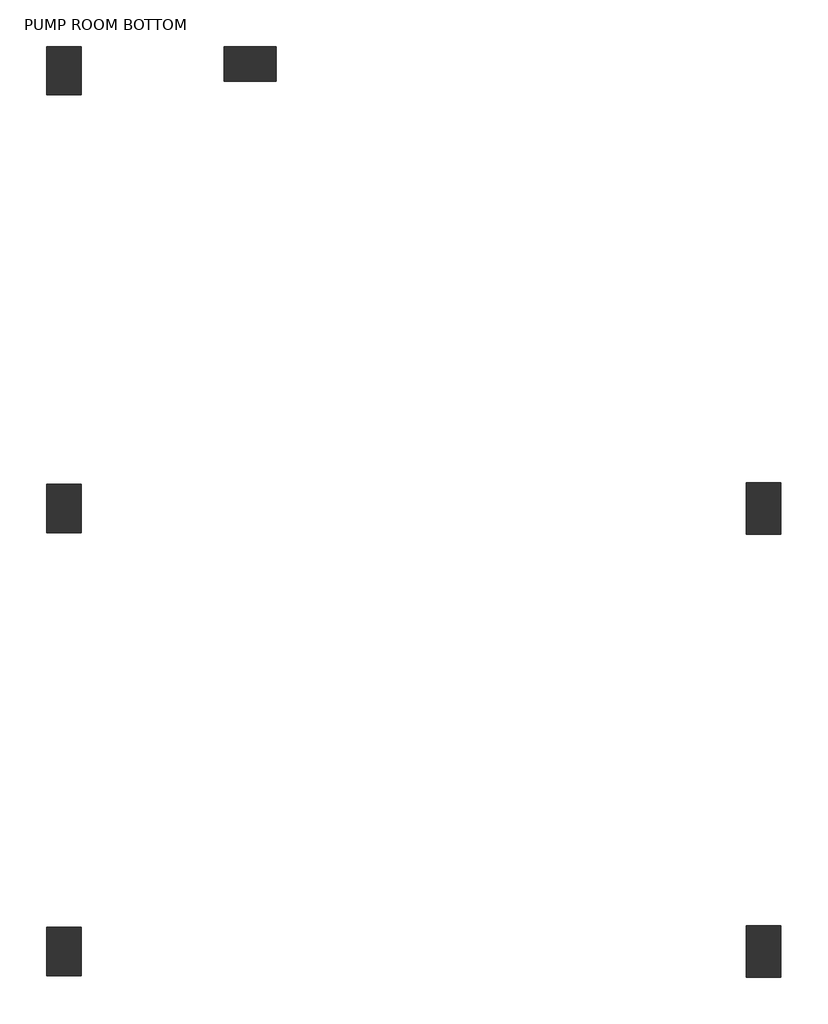
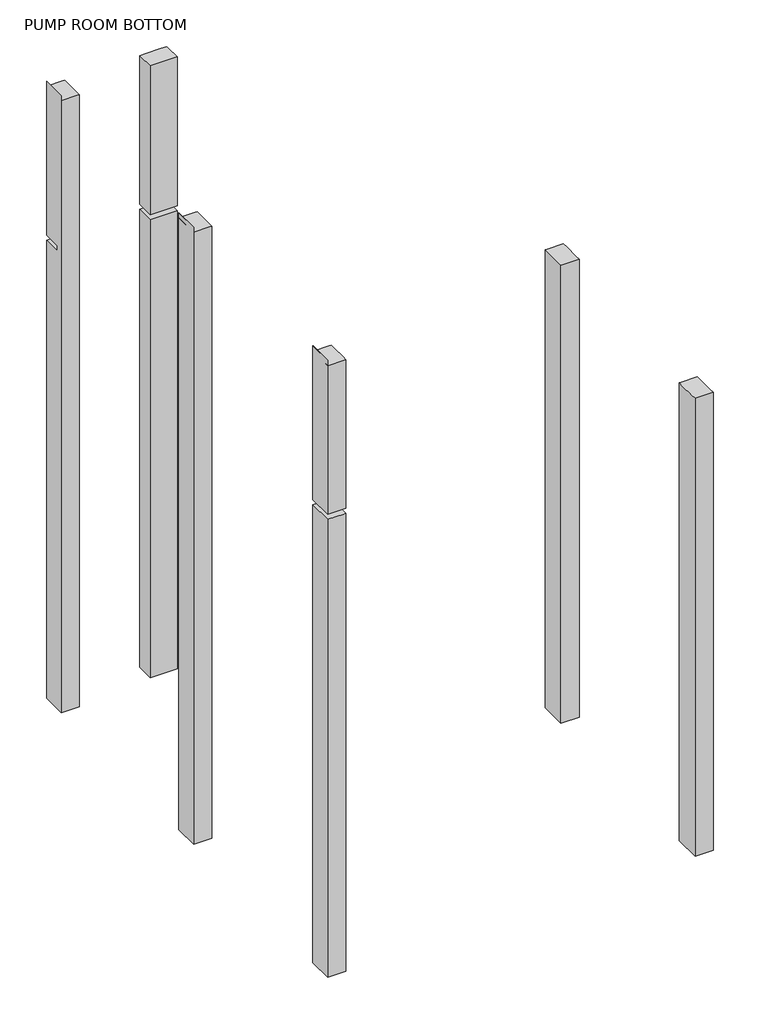
# One storey: 6 columns.
"""IFC4 building model written with IfcOpenShell, lengths in millimetres."""

from ifc_helpers import new_model, si_unit, origin, place, context, project, spatial, faceted_brep, element, save

model = new_model("IFC4")

# Units and contexts
model_context = context("Model", 3, world=origin())
ifc_project = project(units=[si_unit("LENGTHUNIT", "METRE", prefix="MILLI")], contexts=[model_context])

# Site, building, storey
site = spatial("IfcSite", under=ifc_project)
building = spatial("IfcBuilding", under=site)
storey = spatial("IfcBuildingStorey", under=building, Name="PUMP ROOM BOTTOM", Elevation=-11317.1699131)

# Columns
placement = place(None, origin())
element("IfcColumn", 1, ObjectType="SCL_Rectangular : 700x500", at=placement, inside=storey, context=model_context, shape_type="Brep", body=[
    faceted_brep([(50480.0, 17480.0, -11317.1699131), (50480.0, 16780.0, -11317.1699131), (49980.0, 16780.0, -11317.1699131), (49980.0, 17480.0, -11317.1699131), (50480.0, 16780.0, 2072.8300869), (50480.0, 17480.0, 2072.8300869), (50430.0, 17480.0, 2072.8300869), (49980.0, 17480.0, 2072.8300869), (49980.0, 16780.0, 2072.8300869), (50430.0, 16780.0, 2072.8300869), (49980.0, 16780.0, 1622.8300869), (49980.0, 17480.0, 1622.8300869)], [[[0, 1, 2, 3]], [[4, 5, 6, 7, 8, 9]], [[1, 0, 5, 4]], [[2, 1, 4, 9, 8, 10]], [[3, 2, 10, 8, 7, 11]], [[0, 3, 11, 7, 6, 5]]]),
    faceted_brep([(50480.0, 16780.0, 2222.8300869), (50480.0, 17480.0, 2222.8300869), (50480.0, 17480.0, 6572.8300869), (50480.0, 17355.0, 6572.8300869), (50480.0, 16905.0, 6572.8300869), (50480.0, 16780.0, 6572.8300869), (49980.0, 16780.0, 2222.8300869), (50431.1006505, 16780.0, 6572.8300869), (49981.1006505, 16780.0, 6572.8300869), (49981.1006505, 16780.0, 6722.8300869), (49980.0, 16780.0, 6722.8300869), (49980.0, 17480.0, 6722.8300869), (49980.0, 17480.0, 2222.8300869), (49981.1006505, 17480.0, 6722.8300869), (49981.1006505, 17480.0, 6572.8300869), (50431.1006505, 17480.0, 6572.8300869)], [[[0, 1, 2, 3, 4, 5]], [[6, 0, 5, 7, 8, 9, 10]], [[10, 11, 12, 6]], [[1, 12, 11, 13, 14, 15, 2]], [[11, 10, 9, 13]], [[1, 0, 6, 12]], [[14, 8, 7, 5, 4, 3, 2, 15]], [[8, 14, 13, 9]]]),
])
element("IfcColumn", 2, ObjectType="SCL_Rectangular : 700x500", at=placement, inside=storey, context=model_context, shape_type="Brep", body=[
    faceted_brep([(50480.0, 23900.0, -11317.1699131), (50480.0, 23200.0, -11317.1699131), (49980.0, 23200.0, -11317.1699131), (49980.0, 23900.0, -11317.1699131), (50480.0, 23900.0, 6572.8300869), (50480.0, 23775.0, 6572.8300869), (50480.0, 23325.0, 6572.8300869), (50480.0, 23200.0, 6572.8300869), (50431.1006505, 23200.0, 6572.8300869), (49981.1006505, 23200.0, 6572.8300869), (49981.1006505, 23200.0, 6722.8300869), (49980.0, 23200.0, 6722.8300869), (49980.0, 23200.0, 2222.8300869), (49980.0, 23200.0, 1622.8300869), (49980.0, 23900.0, 6722.8300869), (49980.0, 23900.0, 2222.8300869), (49980.0, 23900.0, 1622.8300869), (49981.1006505, 23900.0, 6722.8300869), (49981.1006505, 23900.0, 6572.8300869), (50431.1006505, 23900.0, 6572.8300869)], [[[0, 1, 2, 3]], [[1, 0, 4, 5, 6, 7]], [[2, 1, 7, 8, 9, 10, 11, 12, 13]], [[3, 2, 13, 12, 11, 14, 15, 16]], [[0, 3, 16, 15, 14, 17, 18, 19, 4]], [[14, 11, 10, 17]], [[18, 9, 8, 7, 6, 5, 4, 19]], [[9, 18, 17, 10]]]),
])
element("IfcColumn", 3, ObjectType="SCL_Rectangular : 700x500", at=placement, inside=storey, context=model_context, shape_type="Brep", body=[
    faceted_brep([(50480.0, 30241.2049246, -11317.1699131), (50480.0, 29541.2049246, -11317.1699131), (49980.0, 29541.2049246, -11317.1699131), (49980.0, 30241.2049246, -11317.1699131), (50480.0, 30241.2049246, 2072.8300869), (50480.0, 29734.99134, 2072.8300869), (50480.0, 29734.99134, 2222.8300869), (50480.0, 30241.2049246, 2222.8300869), (50480.0, 30241.2049246, 6572.8300869), (50480.0, 30190.0, 6572.8300869), (50480.0, 29740.0, 6572.8300869), (50480.0, 29541.2049246, 6572.8300869), (50431.1006505, 29541.2049246, 6572.8300869), (49981.1006505, 29541.2049246, 6572.8300869), (49981.1006505, 29541.2049246, 6722.8300869), (49980.0, 29541.2049246, 6722.8300869), (49980.0, 29541.2049246, 2222.8300869), (49980.0, 29541.2049246, 1622.8300869), (49980.0, 30241.2049246, 6722.8300869), (49980.0, 30241.2049246, 2222.8300869), (49980.0, 29734.99134, 2222.8300869), (49980.0, 29734.99134, 2072.8300869), (49980.0, 30241.2049246, 2072.8300869), (49980.0, 30241.2049246, 1622.8300869), (49981.1006505, 30241.2049246, 6722.8300869), (49981.1006505, 30241.2049246, 6572.8300869), (50431.1006505, 30241.2049246, 6572.8300869), (49981.1006505, 29734.99134, 6722.8300869), (50430.0, 30241.2049246, 2072.8300869), (49981.1006505, 29734.99134, 6572.8300869)], [[[0, 1, 2, 3]], [[1, 0, 4, 5, 6, 7, 8, 9, 10, 11]], [[2, 1, 11, 12, 13, 14, 15, 16, 17]], [[3, 2, 17, 16, 15, 18, 19, 20, 21, 22, 23]], [[7, 19, 18, 24, 25, 26, 8]], [[18, 15, 14, 27, 24]], [[21, 5, 4, 28, 22]], [[6, 20, 19, 7]], [[5, 21, 20, 6]], [[0, 3, 23, 22, 28, 4]], [[25, 29, 13, 12, 11, 10, 9, 8, 26]], [[27, 29, 25, 24]], [[29, 27, 14, 13]]]),
])
element("IfcColumn", 4, ObjectType="SCL_Rectangular : 750x500", at=placement, inside=storey, context=model_context, shape_type="Brep", body=[
    faceted_brep([(52557.0, 30240.0, -11317.1699131), (53307.0, 30240.0, -11317.1699131), (53307.0, 29740.0, -11317.1699131), (52557.0, 29740.0, -11317.1699131), (53307.0, 30240.0, 2072.8300869), (52557.0, 30240.0, 2072.8300869), (52557.0, 29740.0, 2072.8300869), (53307.0, 29740.0, 2072.8300869)], [[[0, 1, 2, 3]], [[4, 5, 6, 7]], [[1, 0, 5, 4]], [[2, 1, 4, 7]], [[3, 2, 7, 6]], [[0, 3, 6, 5]]]),
    faceted_brep([(52557.0, 30240.0, 6572.8300869), (52707.0, 30240.0, 6572.8300869), (53157.0, 30240.0, 6572.8300869), (53307.0, 30240.0, 6572.8300869), (53307.0, 30240.0, 2222.8300869), (52557.0, 30240.0, 2222.8300869), (53307.0, 30190.0, 6572.8300869), (53307.0, 29740.0, 6572.8300869), (53307.0, 29740.0, 6122.8300869), (53307.0, 29740.0, 2222.8300869), (52557.0, 29740.0, 6572.8300869), (52557.0, 29740.0, 6122.8300869), (52557.0, 29740.0, 2222.8300869), (52557.0, 30190.0, 6572.8300869)], [[[0, 1, 2, 3, 4, 5]], [[3, 6, 7, 8, 9, 4]], [[7, 10, 11, 12, 9, 8]], [[10, 13, 0, 5, 12, 11]], [[3, 2, 1, 0, 13, 10, 7, 6]], [[5, 4, 9, 12]]]),
])
element("IfcColumn", 5, ObjectType="SCL_Rectangular : 750x500", at=placement, inside=storey, context=model_context, shape_type="Brep", body=[
    faceted_brep([(60627.0, 17505.0, -11317.1699131), (60627.0, 16755.0, -11317.1699131), (60127.0, 16755.0, -11317.1699131), (60127.0, 17505.0, -11317.1699131), (60627.0, 17505.0, 1622.8300869), (60627.0, 17505.0, 2072.8300869), (60627.0, 17355.0, 2072.8300869), (60627.0, 16905.0, 2072.8300869), (60627.0, 16755.0, 2072.8300869), (60627.0, 16755.0, 1622.8300869), (60177.0, 16755.0, 2072.8300869), (60127.0, 16755.0, 2072.8300869), (60127.0, 16905.0, 2072.8300869), (60127.0, 17355.0, 2072.8300869), (60127.0, 17505.0, 2072.8300869), (60177.0, 17505.0, 2072.8300869)], [[[0, 1, 2, 3]], [[1, 0, 4, 5, 6, 7, 8, 9]], [[2, 1, 9, 8, 10, 11]], [[3, 2, 11, 12, 13, 14]], [[0, 3, 14, 15, 5, 4]], [[8, 7, 6, 5, 15, 14, 13, 12, 11, 10]]]),
])
element("IfcColumn", 6, ObjectType="SCL_Rectangular : 750x500", at=placement, inside=storey, context=model_context, shape_type="Brep", body=[
    faceted_brep([(60627.0, 23925.0, -11317.1699131), (60627.0, 23175.0, -11317.1699131), (60127.0, 23175.0, -11317.1699131), (60127.0, 23925.0, -11317.1699131), (60627.0, 23925.0, 1622.8300869), (60627.0, 23925.0, 2072.8300869), (60627.0, 23775.0, 2072.8300869), (60627.0, 23325.0, 2072.8300869), (60627.0, 23175.0, 2072.8300869), (60627.0, 23175.0, 1622.8300869), (60177.0, 23175.0, 2072.8300869), (60127.0, 23175.0, 2072.8300869), (60127.0, 23325.0, 2072.8300869), (60127.0, 23775.0, 2072.8300869), (60127.0, 23925.0, 2072.8300869), (60177.0, 23925.0, 2072.8300869)], [[[0, 1, 2, 3]], [[1, 0, 4, 5, 6, 7, 8, 9]], [[2, 1, 9, 8, 10, 11]], [[3, 2, 11, 12, 13, 14]], [[0, 3, 14, 15, 5, 4]], [[8, 7, 6, 5, 15, 14, 13, 12, 11, 10]]]),
])

save(model, "model.ifc")
